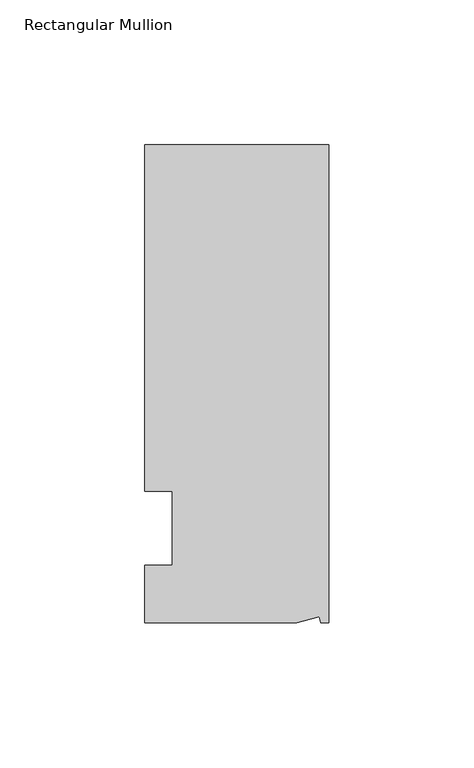
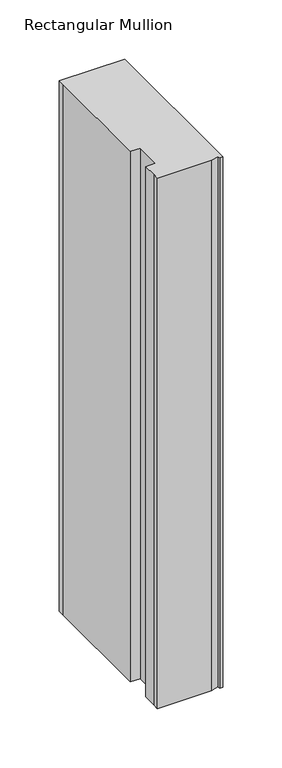
"""IFC4 building model written with IfcOpenShell, lengths in millimetres: member geometry, Rectangular Mullion."""

from ifc_helpers import new_model, si_unit, origin, place, context, project, spatial, faceted_brep, source, transform, mapped, element, save


def rectangular_mullion_f5b0bc22(model_context):
    return source(origin(), model_context, "Body", "Brep", [
        faceted_brep([(0.0, 132.5561012, 0.0), (-63.5, 132.5561012, 0.0), (-63.5, 126.2061012, 0.0), (-63.5, 12.8488281, 0.0), (-53.975, 12.8488281, 0.0), (-53.975, -12.7, 0.0), (-63.5, -12.7, 0.0), (-63.5, -26.1938988, 0.0), (-63.5076469, -32.5438988, 0.0), (-11.1125, -32.5438988, 0.0), (-3.3223696, -30.4565397, 0.0), (-2.7630634, -32.5438988, 0.0), (0.0, -32.5438988, 0.0), (0.0, 132.5561012, -545.7391064), (0.0, -32.5438988, -545.7391064), (-2.7630634, -32.5438988, -545.7391064), (-3.3223696, -30.4565397, -545.7391064), (-11.1125, -32.5438988, -545.7391064), (-63.5076469, -32.5438988, -545.7391064), (-63.5076469, -26.1938988, -545.7391064), (-63.5, -12.7, -545.7391064), (-53.975, -12.7, -545.7391064), (-53.975, 12.8488281, -545.7391064), (-63.5, 12.8488281, -545.7391064), (-63.5, 126.2061012, -545.7391064), (-63.5, 132.5561012, -545.7391064)], [[[0, 1, 2, 3, 4, 5, 6, 7, 8, 9, 10, 11, 12]], [[13, 14, 15, 16, 17, 18, 19, 20, 21, 22, 23, 24, 25]], [[0, 12, 14, 13]], [[1, 0, 13, 25]], [[3, 2, 24, 23]], [[4, 3, 23, 22]], [[5, 4, 22, 21]], [[6, 5, 21, 20]], [[7, 6, 20, 19]], [[9, 8, 18, 17]], [[10, 9, 17, 16]], [[11, 10, 16, 15]], [[12, 11, 15, 14]], [[2, 1, 25, 24]], [[8, 7, 19, 18]]]),
    ])


if __name__ == "__main__":
    model = new_model("IFC4")
    model_context = context("Model", 3, world=origin())
    ifc_project = project(units=[si_unit("LENGTHUNIT", "METRE", prefix="MILLI")], contexts=[model_context])
    site = spatial("IfcSite", under=ifc_project)
    building = spatial("IfcBuilding", under=site)
    placement = place(None, origin())
    rectangular_mullion_shape = rectangular_mullion_f5b0bc22(model_context)
    element("IfcMember", 1, ObjectType="Rectangular Mullion", at=placement, inside=building, context=model_context, shape_type="MappedRepresentation", body=[
        mapped(rectangular_mullion_shape, transform((0.0, 0.0, 0.0), x_axis=(1.0, 0.0, 0.0), y_axis=(0.0, 1.0, 0.0), z_axis=(0.0, 0.0, 1.0))),
    ])
    save(model, "model.ifc")
